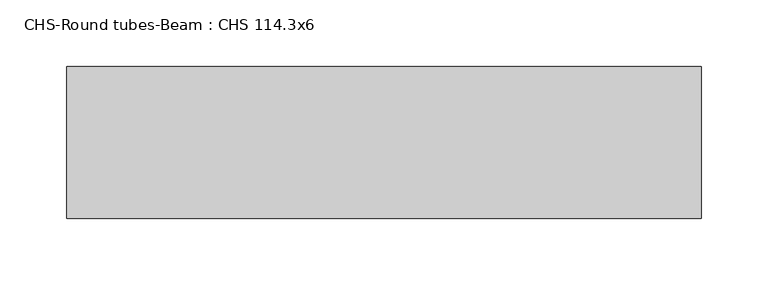
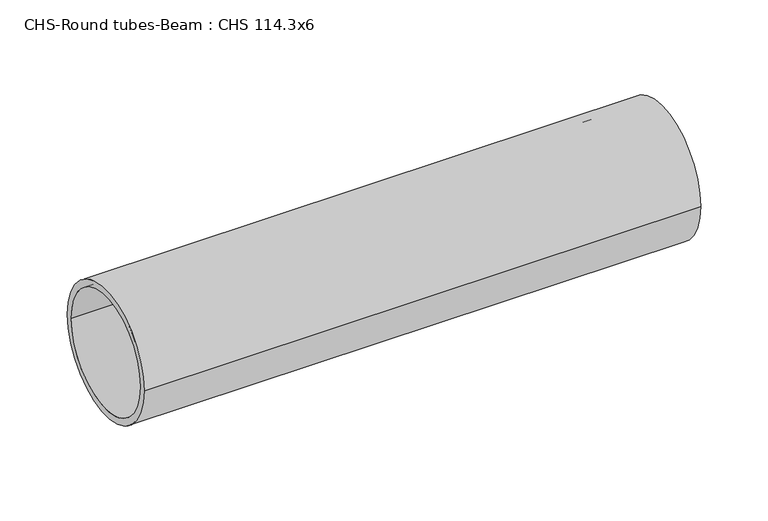
"""IFC4 building model written with IfcOpenShell, lengths in millimetres: beam geometry, CHS-Round tubes-Beam : CHS 114.3x6."""

from ifc_helpers import new_model, si_unit, point, frame, origin, origin_2d, place, context, project, spatial, circle_curve, trimmed, segment, composite_curve, outline, extrude, source, transform, mapped, element, save


def chs_round_tubes_beam_chs_114_3x6_3fdea6fc(model_context):
    return source(origin(), model_context, "Body", "SweptSolid", [
        extrude(outline(composite_curve([segment(trimmed(circle_curve(origin_2d(), 57.15), [point((57.15, 0.0))], [point((-57.15, 0.0))], False, "CARTESIAN"), True, "CONTINUOUS"), segment(trimmed(circle_curve(origin_2d(), 57.15), [point((-57.15, 0.0))], [point((57.15, 0.0))], False, "CARTESIAN"), True, "CONTINUOUS")], self_intersect=False), holes=[composite_curve([segment(trimmed(circle_curve(origin_2d(), 51.15), [point((51.15, 0.0))], [point((-51.15, 0.0))], True, "CARTESIAN"), True, "CONTINUOUS"), segment(trimmed(circle_curve(origin_2d(), 51.15), [point((-51.15, 0.0))], [point((51.15, 0.0))], True, "CARTESIAN"), True, "CONTINUOUS")], self_intersect=False)]), frame((74.2354479, 0.0, 0.0), z_axis=(1.0, 0.0, 0.0), x_axis=(0.0, 1.0, 0.0)), (0.0, 0.0, 1.0), 477.2189121),
    ])


if __name__ == "__main__":
    model = new_model("IFC4")
    model_context = context("Model", 3, world=origin())
    ifc_project = project(units=[si_unit("LENGTHUNIT", "METRE", prefix="MILLI")], contexts=[model_context])
    site = spatial("IfcSite", under=ifc_project)
    building = spatial("IfcBuilding", under=site)
    placement = place(None, origin())
    chs_round_tubes_beam_chs_114_3x6_shape = chs_round_tubes_beam_chs_114_3x6_3fdea6fc(model_context)
    element("IfcBeam", 1, ObjectType="CHS-Round tubes-Beam : CHS 114.3x6", at=placement, inside=building, context=model_context, shape_type="MappedRepresentation", body=[
        mapped(chs_round_tubes_beam_chs_114_3x6_shape, transform((0.0, 0.0, 0.0), x_axis=(1.0, 0.0, 0.0), y_axis=(0.0, 1.0, 0.0), z_axis=(0.0, 0.0, 1.0))),
    ])
    save(model, "model.ifc")
